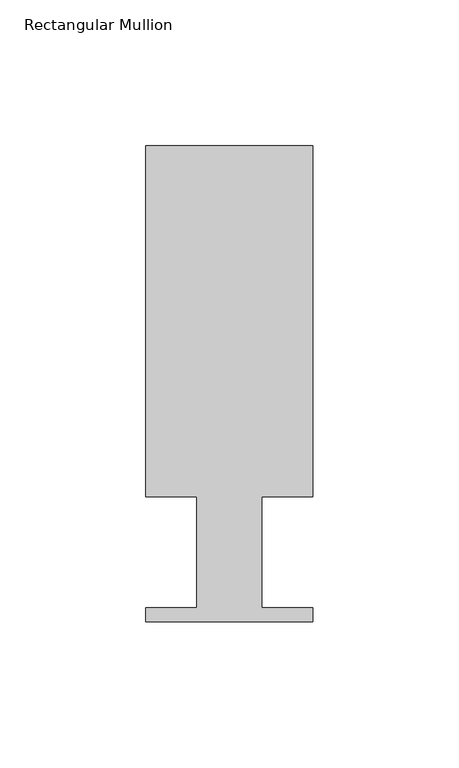
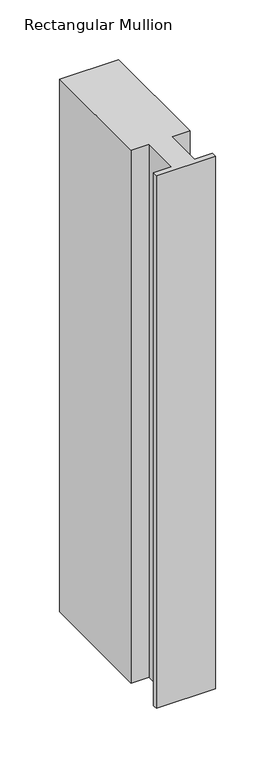
"""IFC4 building model written with IfcOpenShell, lengths in millimetres: member geometry, Rectangular Mullion."""

from ifc_helpers import new_model, si_unit, frame, origin, place, context, project, spatial, polyline, outline, extrude, source, transform, mapped, element, save


def rectangular_mullion_cdd5ee20(model_context):
    return source(origin(), model_context, "Body", "SweptSolid", [
        extrude(outline(polyline([(0.0, 151.892), (0.0, 31.75), (-17.4752, 31.75), (-17.4752, -6.35), (0.0, -6.35), (0.0, -11.176), (-57.15, -11.176), (-57.15, -6.35), (-39.6875, -6.35), (-39.6875, 31.75), (-57.15, 31.75), (-57.15, 151.892), (0.0, 151.892)])), frame((0.0, 0.0, -546.1), z_axis=(0.0, 0.0, 1.0), x_axis=(1.0, 0.0, 0.0)), (0.0, 0.0, 1.0), 546.1),
    ])


if __name__ == "__main__":
    model = new_model("IFC4")
    model_context = context("Model", 3, world=origin())
    ifc_project = project(units=[si_unit("LENGTHUNIT", "METRE", prefix="MILLI")], contexts=[model_context])
    site = spatial("IfcSite", under=ifc_project)
    building = spatial("IfcBuilding", under=site)
    placement = place(None, origin())
    rectangular_mullion_shape = rectangular_mullion_cdd5ee20(model_context)
    element("IfcMember", 1, ObjectType="Rectangular Mullion", at=placement, inside=building, context=model_context, shape_type="MappedRepresentation", body=[
        mapped(rectangular_mullion_shape, transform((0.0, 0.0, 0.0), x_axis=(1.0, 0.0, 0.0), y_axis=(0.0, 1.0, 0.0), z_axis=(0.0, 0.0, 1.0))),
    ])
    save(model, "model.ifc")
